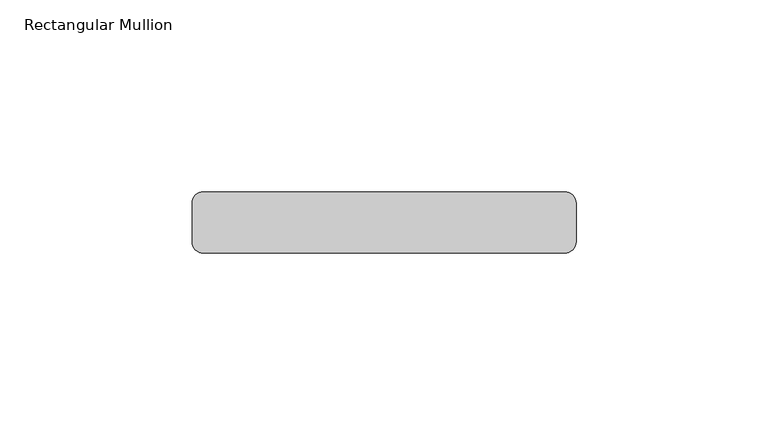
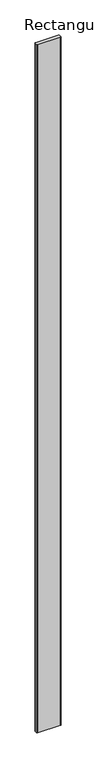
"""IFC4 building model written with IfcOpenShell, lengths in millimetres: member geometry, Rectangular Mullion."""

import ifcopenshell
import ifcopenshell.guid

model = None  # the IFC model being written
_history = None  # IfcOwnerHistory: only IFC2X3 demands one
_inside = {}  # id of a spatial element -> (the spatial element, [elements in it])
_under = {}  # id of a project, library or spatial element -> (it, [spatial elements below it])
_declared = {}  # id of a project -> (the project, [libraries it declares])
_typed = {}  # id of a type object -> (the type object, [elements of that type])
_made_of = {}  # id of a material, layer set ... -> (it, [elements and type objects made of it])


def new_model(schema):
    """Start an empty IFC model of exactly this schema.

    Asked for "IFC4X3", IfcOpenShell would pick the latest addendum, in which some entities
    have other attributes; the version numbers below select the first issue.
    IFC2X3 requires an IfcOwnerHistory on every rooted entity: one is made here for all.
    """
    global model, _history
    if schema == "IFC4X3":
        model = ifcopenshell.file(schema_version=(4, 3, 0, 0))
    else:
        model = ifcopenshell.file(schema=schema)
    _inside.clear()
    _under.clear()
    _declared.clear()
    _typed.clear()
    _made_of.clear()
    _history = None
    if model.schema == "IFC2X3":
        org = make("IfcOrganization", Name="unknown")
        user = make(
            "IfcPersonAndOrganization",
            ThePerson=make("IfcPerson", FamilyName="unknown"),
            TheOrganization=org,
        )
        app = make(
            "IfcApplication",
            ApplicationDeveloper=org,
            Version="unknown",
            ApplicationFullName="unknown",
            ApplicationIdentifier="unknown",
        )
        _history = make(
            "IfcOwnerHistory",
            OwningUser=user,
            OwningApplication=app,
            ChangeAction="ADDED",
            CreationDate=0,
        )
    return model


def make(cls, **values):
    """One entity of the class cls with the attributes given. An attribute that is None is left unset."""
    return model.create_entity(
        cls, **{name: value for name, value in values.items() if value is not None}
    )


def rooted(cls, **values):
    """An entity with a GlobalId (a new one), such as an element, a storey or a relation."""
    return make(cls, GlobalId=ifcopenshell.guid.new(), OwnerHistory=_history, **values)


def si_unit(unit_type, name, prefix=None):
    """IfcSIUnit, for example si_unit("LENGTHUNIT", "METRE", prefix="MILLI")."""
    return make("IfcSIUnit", UnitType=unit_type, Prefix=prefix, Name=name)


def assignment(units):
    """IfcUnitAssignment: the units of a project."""
    return None if units is None else make("IfcUnitAssignment", Units=units)


def point(xyz):
    """IfcCartesianPoint."""
    return None if xyz is None else make("IfcCartesianPoint", Coordinates=xyz)


def direction(xyz):
    """IfcDirection."""
    return None if xyz is None else make("IfcDirection", DirectionRatios=xyz)


def frame(location, z_axis=None, x_axis=None):
    """IfcAxis2Placement3D, a coordinate frame: its origin and axes. An axis left out is left unset."""
    return make(
        "IfcAxis2Placement3D",
        Location=point(location),
        Axis=direction(z_axis),
        RefDirection=direction(x_axis),
    )


def frame_2d(location, x_axis=None):
    """IfcAxis2Placement2D, a coordinate frame in the plane: its origin and x axis."""
    return make(
        "IfcAxis2Placement2D", Location=point(location), RefDirection=direction(x_axis)
    )


def origin():
    """The frame at (0, 0, 0) with its axes left unset."""
    return frame((0.0, 0.0, 0.0))


def place(relative_to, where):
    """IfcLocalPlacement: puts the frame where relative to a parent placement (None: the world)."""
    return make(
        "IfcLocalPlacement", PlacementRelTo=relative_to, RelativePlacement=where
    )


def context(
    kind, dimensions, precision=None, world=None, true_north=None, identifier=None
):
    """IfcGeometricRepresentationContext, for example the 3D "Model" context."""
    return make(
        "IfcGeometricRepresentationContext",
        ContextIdentifier=identifier,
        ContextType=kind,
        CoordinateSpaceDimension=dimensions,
        Precision=precision,
        WorldCoordinateSystem=world,
        TrueNorth=true_north,
    )


def project(units=None, contexts=None):
    """IfcProject with its units and contexts."""
    return rooted(
        "IfcProject",
        Name="project",
        RepresentationContexts=contexts,
        UnitsInContext=assignment(units),
    )


def spatial(cls, under=None, at=None, **own):
    """A site, building, storey or space (cls), placed at a placement, below another one or the project."""
    s = rooted(cls, ObjectPlacement=at, **own)
    if under is not None:
        _under.setdefault(under.id(), (under, []))[1].append(s)
    return s


def polyline(points):
    """IfcPolyline through the points."""
    return make("IfcPolyline", Points=[point(p) for p in points])


def circle_curve(where, radius):
    """IfcCircle in the frame where."""
    return make("IfcCircle", Position=where, Radius=radius)


def trimmed(basis, trim1, trim2, sense, master):
    """IfcTrimmedCurve: the piece of a basis curve between two trims."""
    return make(
        "IfcTrimmedCurve",
        BasisCurve=basis,
        Trim1=trim1,
        Trim2=trim2,
        SenseAgreement=sense,
        MasterRepresentation=master,
    )


def segment(curve, same_sense, transition):
    """IfcCompositeCurveSegment."""
    return make(
        "IfcCompositeCurveSegment",
        Transition=transition,
        SameSense=same_sense,
        ParentCurve=curve,
    )


def composite_curve(segments, self_intersect=None):
    """IfcCompositeCurve: segments joined end to end."""
    return make("IfcCompositeCurve", Segments=segments, SelfIntersect=self_intersect)


def outline(outer, holes=None, kind="AREA"):
    """IfcArbitraryClosedProfileDef: a profile drawn as a closed curve; with holes, ...WithVoids."""
    if holes is None:
        return make("IfcArbitraryClosedProfileDef", ProfileType=kind, OuterCurve=outer)
    return make(
        "IfcArbitraryProfileDefWithVoids",
        ProfileType=kind,
        OuterCurve=outer,
        InnerCurves=holes,
    )


def extrude(swept, where, along, depth):
    """IfcExtrudedAreaSolid: the profile swept, set in the frame where, extruded along a direction by depth."""
    return make(
        "IfcExtrudedAreaSolid",
        SweptArea=swept,
        Position=where,
        ExtrudedDirection=direction(along),
        Depth=depth,
    )


def shape(context_of_items, identifier, shape_type, items):
    """IfcShapeRepresentation: the items that make up one representation, for example the "Body"."""
    return make(
        "IfcShapeRepresentation",
        ContextOfItems=context_of_items,
        RepresentationIdentifier=identifier,
        RepresentationType=shape_type,
        Items=items,
    )


def source(mapping_origin, context_of_items, identifier, shape_type, items):
    """IfcRepresentationMap: a shape defined once, which mapped items show again and again."""
    return make(
        "IfcRepresentationMap",
        MappingOrigin=mapping_origin,
        MappedRepresentation=shape(context_of_items, identifier, shape_type, items),
    )


def transform(
    local_origin,
    x_axis=None,
    y_axis=None,
    z_axis=None,
    scale=None,
    scale2=None,
    scale3=None,
    uniform=True,
):
    """IfcCartesianTransformationOperator3D, or its non-uniform kind. x_axis, y_axis, z_axis: its Axis1, 2, 3."""
    if uniform:
        return make(
            "IfcCartesianTransformationOperator3D",
            Axis1=direction(x_axis),
            Axis2=direction(y_axis),
            LocalOrigin=point(local_origin),
            Scale=scale,
            Axis3=direction(z_axis),
        )
    return make(
        "IfcCartesianTransformationOperator3DnonUniform",
        Axis1=direction(x_axis),
        Axis2=direction(y_axis),
        LocalOrigin=point(local_origin),
        Scale=scale,
        Axis3=direction(z_axis),
        Scale2=scale2,
        Scale3=scale3,
    )


def mapped(mapping_source, mapping_target):
    """IfcMappedItem: shows the shape of a source again, moved by a transform."""
    return make(
        "IfcMappedItem", MappingSource=mapping_source, MappingTarget=mapping_target
    )


def made_of(thing, what):
    """Note that an element or type object is made of a material, layer set ...; save() writes the relation."""
    if what is not None:
        _made_of.setdefault(what.id(), (what, []))[1].append(thing)
    return thing


def element(
    cls,
    number,
    at=None,
    inside=None,
    cuts=None,
    type_object=None,
    material=None,
    context=None,
    identifier="Body",
    shape_type=None,
    held_by="IfcProductDefinitionShape",
    body=None,
    shapes=None,
    **own,
):
    """One element of the class cls, such as IfcWall. Its Tag is "e" and its number.

    at: its placement. inside: the storey or other place that contains it. cuts: it is an
    opening in that element (IfcRelVoidsElement). A single representation is given by context,
    identifier, shape_type and body (its items); several are given by shapes. held_by: the class
    of the entity that holds the representations. save() writes the other relations.
    """
    e = rooted(cls, Tag="e%d" % number, ObjectPlacement=at, **own)
    if body is not None:
        shapes = [shape(context, identifier, shape_type, body)]
    if shapes is not None:
        e.Representation = make(held_by, Representations=shapes)
    if inside is not None:
        _inside.setdefault(inside.id(), (inside, []))[1].append(e)
    if cuts is not None:
        rooted(
            "IfcRelVoidsElement", RelatingBuildingElement=cuts, RelatedOpeningElement=e
        )
    if type_object is not None:
        _typed.setdefault(type_object.id(), (type_object, []))[1].append(e)
    return made_of(e, material)


def aggregate(whole, parts):
    """IfcRelAggregates: a whole, such as a stair, and the parts it consists of."""
    return rooted("IfcRelAggregates", RelatingObject=whole, RelatedObjects=parts)


def save(model, path):
    """Write the relations noted so far, then the file.

    IfcRelAggregates (storeys below a building ...), IfcRelContainedInSpatialStructure (elements
    in a storey), IfcRelDefinesByType, IfcRelAssociatesMaterial and IfcRelDeclares: one each for
    every whole, place, type object, material and project.
    """
    for whole, parts in _under.values():
        aggregate(whole, parts)
    for where, things in _inside.values():
        rooted(
            "IfcRelContainedInSpatialStructure",
            RelatedElements=things,
            RelatingStructure=where,
        )
    for kind, things in _typed.values():
        rooted("IfcRelDefinesByType", RelatedObjects=things, RelatingType=kind)
    for what, things in _made_of.values():
        rooted("IfcRelAssociatesMaterial", RelatedObjects=things, RelatingMaterial=what)
    for by, libraries in _declared.values():
        rooted("IfcRelDeclares", RelatingContext=by, RelatedDefinitions=libraries)
    model.write(path)


def rectangular_mullion_1bf2b3b6(model_context):
    return source(origin(), model_context, "Body", "SweptSolid", [
        extrude(outline(composite_curve([segment(trimmed(circle_curve(frame_2d((47.0, 13.0)), 3.0), [point((47.0, 16.0))], [point((50.0, 13.0))], False, "CARTESIAN"), True, "CONTINUOUS"), segment(polyline([(50.0, 13.0), (50.0, 3.0)]), True, "CONTINUOUS"), segment(trimmed(circle_curve(frame_2d((47.0, 3.0)), 3.0), [point((50.0, 3.0))], [point((47.0, 0.0))], False, "CARTESIAN"), True, "CONTINUOUS"), segment(polyline([(47.0, 0.0), (-47.0, 0.0)]), True, "CONTINUOUS"), segment(trimmed(circle_curve(frame_2d((-47.0, 3.0)), 3.0), [point((-47.0, 0.0))], [point((-50.0, 3.0))], False, "CARTESIAN"), True, "CONTINUOUS"), segment(polyline([(-50.0, 3.0), (-50.0, 13.0)]), True, "CONTINUOUS"), segment(trimmed(circle_curve(frame_2d((-47.0, 13.0)), 3.0), [point((-50.0, 13.0))], [point((-47.0, 16.0))], False, "CARTESIAN"), True, "CONTINUOUS"), segment(polyline([(-47.0, 16.0), (47.0, 16.0)]), True, "CONTINUOUS")], self_intersect=False)), frame((0.0, 0.0, -3000.0), z_axis=(0.0, 0.0, 1.0), x_axis=(1.0, 0.0, 0.0)), (0.0, 0.0, 1.0), 3000.0),
    ])


if __name__ == "__main__":
    model = new_model("IFC4")
    model_context = context("Model", 3, world=origin())
    ifc_project = project(units=[si_unit("LENGTHUNIT", "METRE", prefix="MILLI")], contexts=[model_context])
    site = spatial("IfcSite", under=ifc_project)
    building = spatial("IfcBuilding", under=site)
    placement = place(None, origin())
    rectangular_mullion_shape = rectangular_mullion_1bf2b3b6(model_context)
    element("IfcMember", 1, ObjectType="Rectangular Mullion", at=placement, inside=building, context=model_context, shape_type="MappedRepresentation", body=[
        mapped(rectangular_mullion_shape, transform((0.0, 0.0, 0.0), x_axis=(1.0, 0.0, 0.0), y_axis=(0.0, 1.0, 0.0), z_axis=(0.0, 0.0, 1.0))),
    ])
    save(model, "model.ifc")
